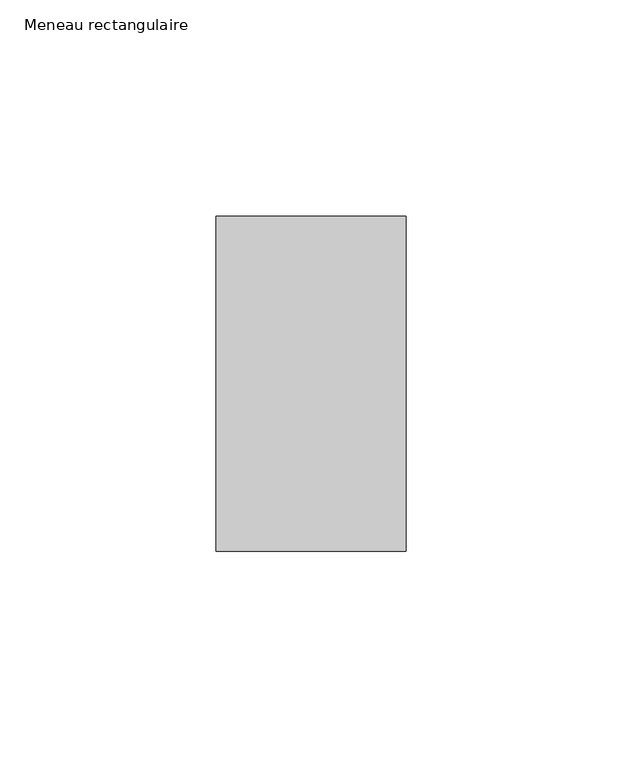
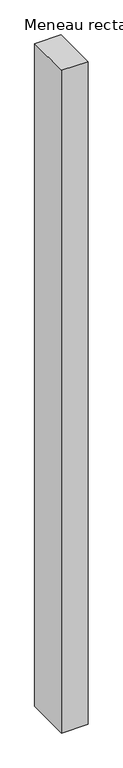
"""IFC4 building model written with IfcOpenShell, lengths in millimetres: member geometry, Meneau rectangulaire."""

from ifc_helpers import new_model, si_unit, frame, origin, place, context, project, spatial, polyline, outline, extrude, source, transform, mapped, element, save


def meneau_rectangulaire_dc4a8071(model_context):
    return source(origin(), model_context, "Body", "SweptSolid", [
        extrude(outline(polyline([(-44.0, 38.75), (0.0, 38.75), (0.0, -38.75), (-44.0, -38.75), (-44.0, 38.75)])), frame((0.0, 0.0, -1162.7857142), z_axis=(0.0, 0.0, 1.0), x_axis=(1.0, 0.0, 0.0)), (0.0, 0.0, 1.0), 1162.7857142),
    ])


if __name__ == "__main__":
    model = new_model("IFC4")
    model_context = context("Model", 3, world=origin())
    ifc_project = project(units=[si_unit("LENGTHUNIT", "METRE", prefix="MILLI")], contexts=[model_context])
    site = spatial("IfcSite", under=ifc_project)
    building = spatial("IfcBuilding", under=site)
    placement = place(None, origin())
    meneau_rectangulaire_shape = meneau_rectangulaire_dc4a8071(model_context)
    element("IfcMember", 1, ObjectType="Meneau rectangulaire", at=placement, inside=building, context=model_context, shape_type="MappedRepresentation", body=[
        mapped(meneau_rectangulaire_shape, transform((0.0, 0.0, 0.0), x_axis=(1.0, 0.0, 0.0), y_axis=(0.0, 1.0, 0.0), z_axis=(0.0, 0.0, 1.0))),
    ])
    save(model, "model.ifc")
